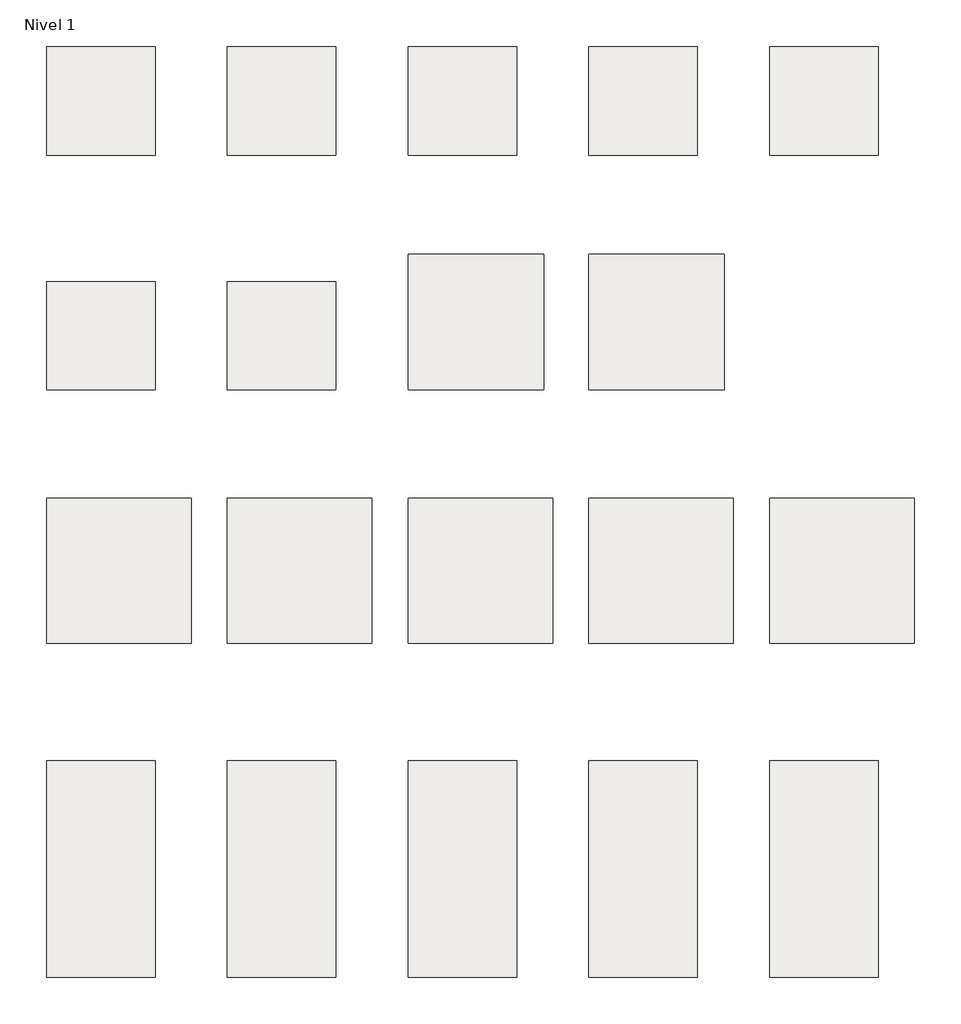
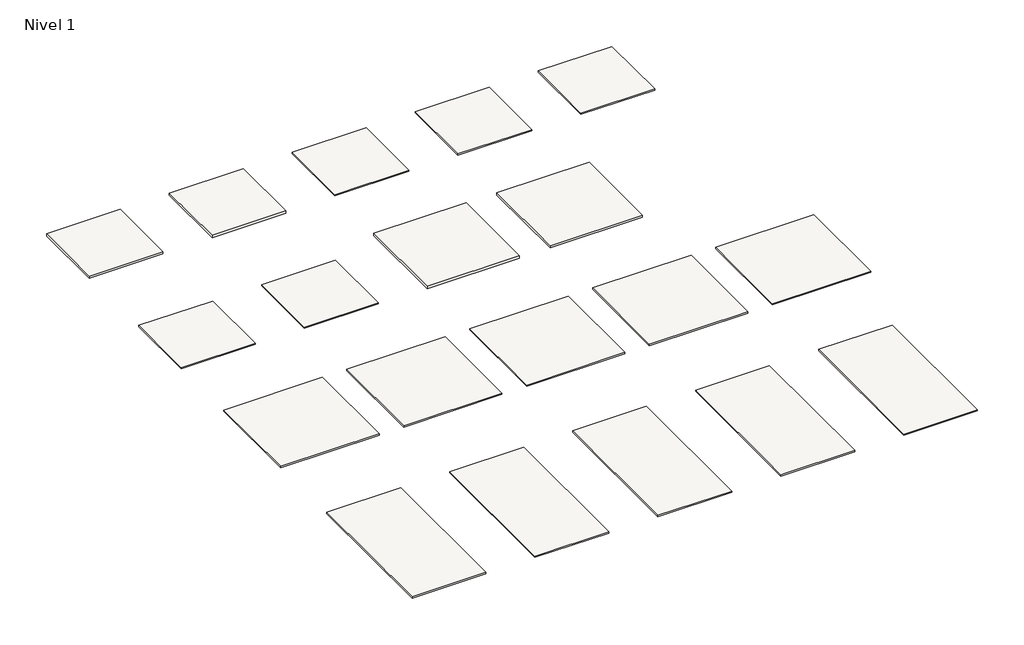
# One storey: 19 slabs.
"""IFC4 building model written with IfcOpenShell, lengths in millimetres."""

from ifc_helpers import new_model, si_unit, frame, origin, place, context, project, spatial, polyline, outline, extrude, element, save

model = new_model("IFC4")

# Units and contexts
model_context = context("Model", 3, world=origin())
ifc_project = project(units=[si_unit("LENGTHUNIT", "METRE", prefix="MILLI")], contexts=[model_context])

# Site, building, storey
site = spatial("IfcSite", under=ifc_project)
building = spatial("IfcBuilding", under=site)
storey = spatial("IfcBuildingStorey", under=building, Name="Nivel 1", Elevation=0.0)

# Slabs
placement = place(None, origin())
element("IfcSlab", 1, at=placement, inside=storey, context=model_context, shape_type="SweptSolid", body=[
    extrude(outline(polyline([(0.0, 600.0), (600.0, 600.0), (600.0, 0.0), (0.0, 0.0), (0.0, 600.0)])), frame((0.0, 0.0, -20.0), z_axis=(0.0, 0.0, 1.0), x_axis=(1.0, 0.0, 0.0)), (0.0, 0.0, 1.0), 20.0),
])
element("IfcSlab", 2, at=placement, inside=storey, context=model_context, shape_type="SweptSolid", body=[
    extrude(outline(polyline([(1000.0, 600.0), (1600.0, 600.0), (1600.0, 0.0), (1000.0, 0.0), (1000.0, 600.0)])), frame((0.0, 0.0, -20.0), z_axis=(0.0, 0.0, 1.0), x_axis=(1.0, 0.0, 0.0)), (0.0, 0.0, 1.0), 20.0),
])
element("IfcSlab", 3, at=placement, inside=storey, context=model_context, shape_type="SweptSolid", body=[
    extrude(outline(polyline([(2000.0, 600.0), (2600.0, 600.0), (2600.0, 0.0), (2000.0, 0.0), (2000.0, 600.0)])), frame((0.0, 0.0, -10.0), z_axis=(0.0, 0.0, 1.0), x_axis=(1.0, 0.0, 0.0)), (0.0, 0.0, 1.0), 10.0),
])
element("IfcSlab", 4, at=placement, inside=storey, context=model_context, shape_type="SweptSolid", body=[
    extrude(outline(polyline([(3000.0, 600.0), (3600.0, 600.0), (3600.0, 0.0), (3000.0, 0.0), (3000.0, 600.0)])), frame((0.0, 0.0, -10.0), z_axis=(0.0, 0.0, 1.0), x_axis=(1.0, 0.0, 0.0)), (0.0, 0.0, 1.0), 10.0),
])
element("IfcSlab", 5, at=placement, inside=storey, context=model_context, shape_type="SweptSolid", body=[
    extrude(outline(polyline([(4000.0, 600.0), (4600.0, 600.0), (4600.0, 0.0), (4000.0, 0.0), (4000.0, 600.0)])), frame((0.0, 0.0, -10.0), z_axis=(0.0, 0.0, 1.0), x_axis=(1.0, 0.0, 0.0)), (0.0, 0.0, 1.0), 10.0),
])
element("IfcSlab", 6, at=placement, inside=storey, context=model_context, shape_type="SweptSolid", body=[
    extrude(outline(polyline([(0.0, -700.0), (600.0, -700.0), (600.0, -1300.0), (0.0, -1300.0), (0.0, -700.0)])), frame((0.0, 0.0, -10.0), z_axis=(0.0, 0.0, 1.0), x_axis=(1.0, 0.0, 0.0)), (0.0, 0.0, 1.0), 10.0),
])
element("IfcSlab", 7, at=placement, inside=storey, context=model_context, shape_type="SweptSolid", body=[
    extrude(outline(polyline([(1000.0, -700.0), (1600.0, -700.0), (1600.0, -1300.0), (1000.0, -1300.0), (1000.0, -700.0)])), frame((0.0, 0.0, -10.0), z_axis=(0.0, 0.0, 1.0), x_axis=(1.0, 0.0, 0.0)), (0.0, 0.0, 1.0), 10.0),
])
element("IfcSlab", 8, at=placement, inside=storey, context=model_context, shape_type="SweptSolid", body=[
    extrude(outline(polyline([(0.0, -3350.0), (600.0, -3350.0), (600.0, -4550.0), (0.0, -4550.0), (0.0, -3350.0)])), frame((0.0, 0.0, -11.3), z_axis=(0.0, 0.0, 1.0), x_axis=(1.0, 0.0, 0.0)), (0.0, 0.0, 1.0), 11.3),
])
element("IfcSlab", 9, at=placement, inside=storey, context=model_context, shape_type="SweptSolid", body=[
    extrude(outline(polyline([(1000.0, -3350.0), (1600.0, -3350.0), (1600.0, -4550.0), (1000.0, -4550.0), (1000.0, -3350.0)])), frame((0.0, 0.0, -11.3), z_axis=(0.0, 0.0, 1.0), x_axis=(1.0, 0.0, 0.0)), (0.0, 0.0, 1.0), 11.3),
])
element("IfcSlab", 10, at=placement, inside=storey, context=model_context, shape_type="SweptSolid", body=[
    extrude(outline(polyline([(2000.0, -3350.0), (2600.0, -3350.0), (2600.0, -4550.0), (2000.0, -4550.0), (2000.0, -3350.0)])), frame((0.0, 0.0, -11.3), z_axis=(0.0, 0.0, 1.0), x_axis=(1.0, 0.0, 0.0)), (0.0, 0.0, 1.0), 11.3),
])
element("IfcSlab", 11, at=placement, inside=storey, context=model_context, shape_type="SweptSolid", body=[
    extrude(outline(polyline([(3000.0, -3350.0), (3600.0, -3350.0), (3600.0, -4550.0), (3000.0, -4550.0), (3000.0, -3350.0)])), frame((0.0, 0.0, -11.3), z_axis=(0.0, 0.0, 1.0), x_axis=(1.0, 0.0, 0.0)), (0.0, 0.0, 1.0), 11.3),
])
element("IfcSlab", 12, at=placement, inside=storey, context=model_context, shape_type="SweptSolid", body=[
    extrude(outline(polyline([(4000.0, -3350.0), (4600.0, -3350.0), (4600.0, -4550.0), (4000.0, -4550.0), (4000.0, -3350.0)])), frame((0.0, 0.0, -11.3), z_axis=(0.0, 0.0, 1.0), x_axis=(1.0, 0.0, 0.0)), (0.0, 0.0, 1.0), 11.3),
])
element("IfcSlab", 13, at=placement, inside=storey, context=model_context, shape_type="SweptSolid", body=[
    extrude(outline(polyline([(0.0, -1900.0), (800.0, -1900.0), (800.0, -2700.0), (0.0, -2700.0), (0.0, -1900.0)])), frame((0.0, 0.0, -11.3), z_axis=(0.0, 0.0, 1.0), x_axis=(1.0, 0.0, 0.0)), (0.0, 0.0, 1.0), 11.3),
])
element("IfcSlab", 14, at=placement, inside=storey, context=model_context, shape_type="SweptSolid", body=[
    extrude(outline(polyline([(1000.0, -1900.0), (1800.0, -1900.0), (1800.0, -2700.0), (1000.0, -2700.0), (1000.0, -1900.0)])), frame((0.0, 0.0, -11.3), z_axis=(0.0, 0.0, 1.0), x_axis=(1.0, 0.0, 0.0)), (0.0, 0.0, 1.0), 11.3),
])
element("IfcSlab", 15, at=placement, inside=storey, context=model_context, shape_type="SweptSolid", body=[
    extrude(outline(polyline([(2000.0, -1900.0), (2800.0, -1900.0), (2800.0, -2700.0), (2000.0, -2700.0), (2000.0, -1900.0)])), frame((0.0, 0.0, -11.3), z_axis=(0.0, 0.0, 1.0), x_axis=(1.0, 0.0, 0.0)), (0.0, 0.0, 1.0), 11.3),
])
element("IfcSlab", 16, at=placement, inside=storey, context=model_context, shape_type="SweptSolid", body=[
    extrude(outline(polyline([(3000.0, -1900.0), (3800.0, -1900.0), (3800.0, -2700.0), (3000.0, -2700.0), (3000.0, -1900.0)])), frame((0.0, 0.0, -11.3), z_axis=(0.0, 0.0, 1.0), x_axis=(1.0, 0.0, 0.0)), (0.0, 0.0, 1.0), 11.3),
])
element("IfcSlab", 17, at=placement, inside=storey, context=model_context, shape_type="SweptSolid", body=[
    extrude(outline(polyline([(4000.0, -1900.0), (4800.0, -1900.0), (4800.0, -2700.0), (4000.0, -2700.0), (4000.0, -1900.0)])), frame((0.0, 0.0, -11.3), z_axis=(0.0, 0.0, 1.0), x_axis=(1.0, 0.0, 0.0)), (0.0, 0.0, 1.0), 11.3),
])
element("IfcSlab", 18, at=placement, inside=storey, context=model_context, shape_type="SweptSolid", body=[
    extrude(outline(polyline([(2000.0, -550.0), (2750.0, -550.0), (2750.0, -1300.0), (2000.0, -1300.0), (2000.0, -550.0)])), frame((0.0, 0.0, -20.0), z_axis=(0.0, 0.0, 1.0), x_axis=(1.0, 0.0, 0.0)), (0.0, 0.0, 1.0), 20.0),
])
element("IfcSlab", 19, at=placement, inside=storey, context=model_context, shape_type="SweptSolid", body=[
    extrude(outline(polyline([(3000.0, -550.0), (3750.0, -550.0), (3750.0, -1300.0), (3000.0, -1300.0), (3000.0, -550.0)])), frame((0.0, 0.0, -20.0), z_axis=(0.0, 0.0, 1.0), x_axis=(1.0, 0.0, 0.0)), (0.0, 0.0, 1.0), 20.0),
])

save(model, "model.ifc")
